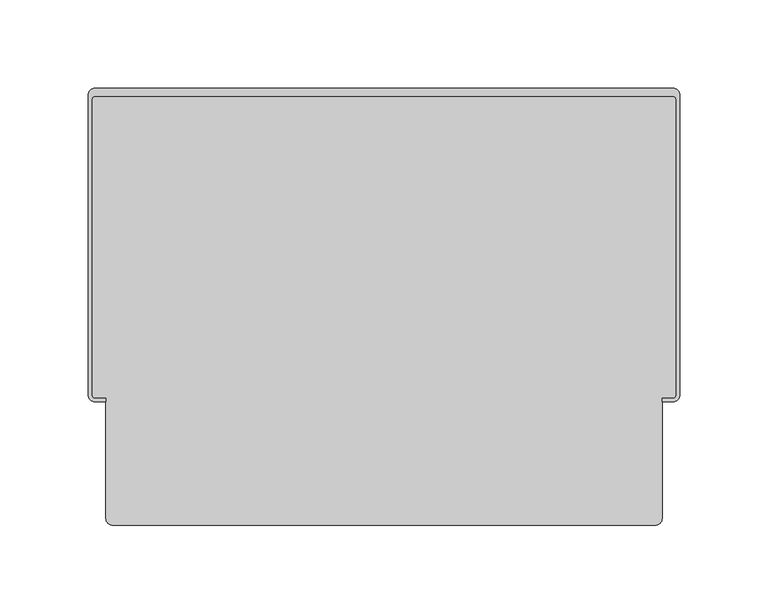
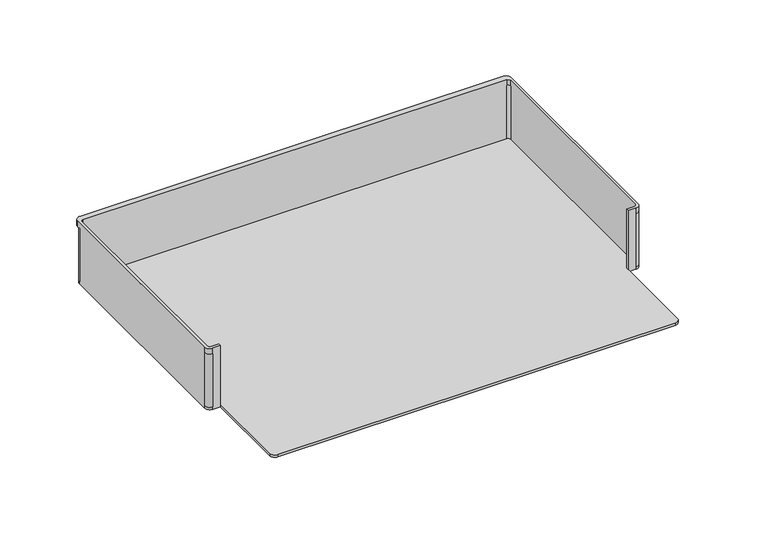
"""IFC4 building model written with IfcOpenShell, lengths in millimetres: furniture geometry."""

from ifc_helpers import new_model, si_unit, frame, origin, place, context, project, spatial, polyline, circle_curve, source, transform, mapped, element, save
from ifc_brep_helpers import plane_surface, cylinder_surface, revolved_surface, advanced_brep


def furniture_8eca9f2f(model_context):
    return source(origin(), model_context, "Body", "AdvancedBrep", [
        advanced_brep(
        [(163.55, 119.2041217, 943.284), (163.55, 119.2041217, 900.02), (165.5, 117.2541217, 900.02), (165.5, 117.2541217, 943.284), (165.5, -49.7958783, 900.02), (165.5, -49.7958783, 943.284), (165.5, -49.7958783, 948.02), (165.5, 117.2041217, 948.02), (163.5, -51.7958783, 900.02), (163.5, -51.7958783, 943.284), (157.5, -51.7958783, 900.02), (157.5, -51.7958783, 948.02), (163.5, -51.7958783, 948.02), (157.5, -53.7958783, 948.02), (157.5, -53.7958783, 900.02), (163.5, -53.7958783, 900.02), (163.5, -53.7958783, 943.284), (163.5, -53.7958783, 948.02), (157.5, -53.7958783, 898.02), (163.5, -53.7958783, 898.02), (167.5, -49.7958783, 900.02), (167.5, -49.7958783, 943.284), (167.5, -49.7958783, 898.02), (167.5, 117.2541217, 898.02), (167.5, 117.2541217, 900.02), (167.5, 117.2541217, 943.284), (167.5, 119.7958783, 943.284), (167.5, 119.7958783, 948.02), (167.5, -49.7958783, 948.02), (163.55, 121.2041217, 900.02), (163.55, 121.2041217, 943.284), (163.55, 121.2041217, 898.02), (-163.55, 121.2041217, 898.02), (-163.55, 121.2041217, 900.02), (-163.55, 121.2041217, 943.284), (-167.5, 117.2541217, 900.02), (-167.5, 117.2541217, 943.284), (-167.5, 117.2541217, 898.02), (-167.5, -49.7958783, 898.02), (-167.5, -49.7958783, 900.02), (-167.5, -49.7958783, 943.284), (-167.5, -49.7958783, 948.02), (-167.5, 119.7958783, 948.02), (-167.5, 119.7958783, 943.284), (-163.5, -53.7958783, 900.02), (-163.5, -53.7958783, 943.284), (-163.5, -53.7958783, 898.02), (-157.5, -53.7958783, 898.02), (-157.5, -53.7958783, 900.02), (-157.5, -53.7958783, 948.02), (-163.5, -53.7958783, 948.02), (-157.5, -51.7958783, 948.02), (-157.5, -51.7958783, 900.02), (-163.5, -51.7958783, 900.02), (-163.5, -51.7958783, 943.284), (-163.5, -51.7958783, 948.02), (-165.5, -49.7958783, 900.02), (-165.5, -49.7958783, 943.284), (-165.5, 117.2541217, 900.02), (-165.5, 117.2541217, 943.284), (-165.5, 117.2041217, 948.02), (-165.5, -49.7958783, 948.02), (-163.55, 119.2041217, 900.02), (-163.55, 119.2041217, 943.284), (163.5, 119.2041217, 948.02), (-163.5, 119.2041217, 948.02), (-163.5, 123.7958783, 948.02), (163.5, 123.7958783, 948.02), (163.5, 123.7958783, 943.284), (-163.5, 123.7958783, 943.284), (-163.5, 121.7958783, 943.284), (163.5, 121.7958783, 943.284), (163.5, 123.7958783, 939.2916323), (-163.5, 123.7958783, 939.2916323), (157.5, -119.7958783, 898.02), (153.5, -123.7958783, 898.02), (-153.5, -123.7958783, 898.02), (-157.5, -119.7958783, 898.02), (-157.5, -119.7958783, 900.02), (-153.5, -123.7958783, 900.02), (153.5, -123.7958783, 900.02), (157.5, -119.7958783, 900.02), (163.5, 121.7958783, 939.2916323), (-163.5, 121.7958783, 939.2916323)],
        [
            (0, 1),
            (1, 2, circle_curve(frame((163.55, 117.2541217, 900.02), z_axis=(0.0, 0.0, -1.0), x_axis=(1.0, 0.0, 0.0)), 1.95)),
            (2, 3),
            (3, 0, circle_curve(frame((163.55, 117.2541217, 943.284), z_axis=(0.0, 0.0, 1.0), x_axis=(1.0, 0.0, 0.0)), 1.95)),
            (2, 4),
            (4, 5),
            (5, 6),
            (6, 7),
            (7, 3),
            (4, 8, circle_curve(frame((163.5, -49.7958783, 900.02), z_axis=(0.0, 0.0, -1.0), x_axis=(1.0, 0.0, 0.0)), 2.0)),
            (8, 9),
            (9, 5, circle_curve(frame((163.5, -49.7958783, 943.284), z_axis=(0.0, 0.0, 1.0), x_axis=(1.0, 0.0, 0.0)), 2.0)),
            (8, 10),
            (10, 11),
            (11, 12),
            (12, 9),
            (13, 11),
            (10, 14),
            (14, 13),
            (15, 16),
            (16, 17),
            (17, 13),
            (14, 18),
            (18, 19),
            (19, 15),
            (15, 20, circle_curve(frame((163.5, -49.7958783, 900.02), z_axis=(0.0, 0.0, 1.0), x_axis=(1.0, 0.0, 0.0)), 4.0)),
            (20, 21),
            (21, 16, circle_curve(frame((163.5, -49.7958783, 943.284), z_axis=(0.0, 0.0, -1.0), x_axis=(1.0, 0.0, 0.0)), 4.0)),
            (20, 22),
            (22, 23),
            (23, 24),
            (24, 25),
            (25, 26),
            (26, 27),
            (27, 28),
            (28, 21),
            (24, 29, circle_curve(frame((163.55, 117.2541217, 900.02), z_axis=(0.0, 0.0, 1.0), x_axis=(1.0, 0.0, 0.0)), 3.95)),
            (29, 30),
            (30, 25, circle_curve(frame((163.55, 117.2541217, 943.284), z_axis=(0.0, 0.0, -1.0), x_axis=(1.0, 0.0, 0.0)), 3.95)),
            (29, 31),
            (31, 32),
            (32, 33),
            (33, 34),
            (34, 30),
            (33, 35, circle_curve(frame((-163.55, 117.2541217, 900.02), z_axis=(0.0, 0.0, 1.0), x_axis=(1.0, 0.0, 0.0)), 3.95)),
            (35, 36),
            (36, 34, circle_curve(frame((-163.55, 117.2541217, 943.284), z_axis=(0.0, 0.0, -1.0), x_axis=(1.0, 0.0, 0.0)), 3.95)),
            (35, 37),
            (37, 38),
            (38, 39),
            (39, 40),
            (40, 41),
            (41, 42),
            (42, 43),
            (43, 36),
            (39, 44, circle_curve(frame((-163.5, -49.7958783, 900.02), z_axis=(0.0, 0.0, 1.0), x_axis=(1.0, 0.0, 0.0)), 4.0)),
            (44, 45),
            (45, 40, circle_curve(frame((-163.5, -49.7958783, 943.284), z_axis=(0.0, 0.0, -1.0), x_axis=(1.0, 0.0, 0.0)), 4.0)),
            (44, 46),
            (46, 47),
            (47, 48),
            (48, 49),
            (49, 50),
            (50, 45),
            (51, 49),
            (48, 52),
            (52, 51),
            (53, 54),
            (54, 55),
            (55, 51),
            (52, 53),
            (53, 56, circle_curve(frame((-163.5, -49.7958783, 900.02), z_axis=(0.0, 0.0, -1.0), x_axis=(1.0, 0.0, 0.0)), 2.0)),
            (56, 57),
            (57, 54, circle_curve(frame((-163.5, -49.7958783, 943.284), z_axis=(0.0, 0.0, 1.0), x_axis=(1.0, 0.0, 0.0)), 2.0)),
            (56, 58),
            (58, 59),
            (59, 60),
            (60, 61),
            (61, 57),
            (58, 62, circle_curve(frame((-163.55, 117.2541217, 900.02), z_axis=(0.0, 0.0, -1.0), x_axis=(1.0, 0.0, 0.0)), 1.95)),
            (62, 63),
            (63, 59, circle_curve(frame((-163.55, 117.2541217, 943.284), z_axis=(0.0, 0.0, 1.0), x_axis=(1.0, 0.0, 0.0)), 1.95)),
            (0, 64),
            (64, 65),
            (65, 63),
            (62, 1),
            (66, 42, circle_curve(frame((-163.5, 119.7958783, 948.02), z_axis=(0.0, 0.0, 1.0), x_axis=(-0.7071067811865476, 0.7071067811865476, 0.0)), 4.0)),
            (41, 50, circle_curve(frame((-163.5, -49.7958783, 948.02), z_axis=(0.0, 0.0, 1.0), x_axis=(-0.7071067811865538, -0.7071067811865412, 0.0)), 4.0)),
            (55, 61, circle_curve(frame((-163.5, -49.7958783, 948.02), z_axis=(0.0, 0.0, -1.0), x_axis=(-0.7071067811865601, -0.707106781186535, 0.0)), 2.0)),
            (60, 65, circle_curve(frame((-163.5, 117.2041217, 948.02), z_axis=(0.0, 0.0, -1.0), x_axis=(-0.7071067811865727, 0.7071067811865225, 0.0)), 2.0)),
            (64, 7, circle_curve(frame((163.5, 117.2041217, 948.02), z_axis=(0.0, 0.0, -1.0), x_axis=(0.707106781186549, 0.707106781186546, 0.0)), 2.0)),
            (6, 12, circle_curve(frame((163.5, -49.7958783, 948.02), z_axis=(0.0, 0.0, -1.0), x_axis=(0.7071067811865476, -0.7071067811865476, 0.0)), 2.0)),
            (17, 28, circle_curve(frame((163.5, -49.7958783, 948.02), z_axis=(0.0, 0.0, 1.0), x_axis=(0.7071067811865523, -0.7071067811865429, 0.0)), 4.0)),
            (27, 67, circle_curve(frame((163.5, 119.7958783, 948.02), z_axis=(0.0, 0.0, 1.0), x_axis=(0.707106781186543, 0.7071067811865522, 0.0)), 4.0)),
            (67, 66),
            (68, 26, circle_curve(frame((163.5, 119.7958783, 943.284), z_axis=(0.0, 0.0, -1.0), x_axis=(0.707106781186543, 0.7071067811865522, 0.0)), 4.0)),
            (43, 69, circle_curve(frame((-163.5, 119.7958783, 943.284), z_axis=(0.0, 0.0, -1.0), x_axis=(-0.7071067811865476, 0.7071067811865476, 0.0)), 4.0)),
            (69, 70),
            (70, 71),
            (71, 68),
            (66, 69),
            (68, 67),
            (68, 72),
            (72, 73),
            (73, 69),
            (22, 19, circle_curve(frame((163.5, -49.7958783, 898.02), z_axis=(0.0, 0.0, -1.0), x_axis=(1.0, 0.0, 0.0)), 4.0)),
            (18, 74),
            (74, 75, circle_curve(frame((153.5, -119.7958783, 898.02), z_axis=(0.0, 0.0, -1.0), x_axis=(1.0, 0.0, 0.0)), 4.0)),
            (75, 76),
            (76, 77, circle_curve(frame((-153.5, -119.7958783, 898.02), z_axis=(0.0, 0.0, -1.0), x_axis=(0.0, -1.0, 0.0)), 4.0)),
            (77, 47),
            (46, 38, circle_curve(frame((-163.5, -49.7958783, 898.02), z_axis=(0.0, 0.0, -1.0), x_axis=(0.0, -1.0, 0.0)), 4.0)),
            (37, 32, circle_curve(frame((-163.55, 117.2541217, 898.02), z_axis=(0.0, 0.0, -1.0), x_axis=(1.0, 0.0, 0.0)), 3.95)),
            (31, 23, circle_curve(frame((163.55, 117.2541217, 898.02), z_axis=(0.0, 0.0, -1.0), x_axis=(1.0, 0.0, 0.0)), 3.95)),
            (48, 78),
            (78, 79, circle_curve(frame((-153.5, -119.7958783, 900.02), z_axis=(0.0, 0.0, 1.0), x_axis=(0.0, -1.0, 0.0)), 4.0)),
            (79, 80),
            (80, 81, circle_curve(frame((153.5, -119.7958783, 900.02), z_axis=(0.0, 0.0, 1.0), x_axis=(1.0, 0.0, 0.0)), 4.0)),
            (81, 14),
            (77, 78),
            (76, 79),
            (75, 80),
            (74, 81),
            (71, 82),
            (82, 72),
            (73, 83),
            (83, 70),
            (83, 82),
        ],
        [
            revolved_surface(polyline([(165.5, 117.2541217, 900.02), (165.5, 117.2541217, 943.284)]), (163.55, 117.2541217, 900.02), (0.0, 0.0, -1.0)),
            plane_surface(frame((165.5, 117.2541217, 943.284), z_axis=(-1.0, 0.0, 0.0), x_axis=(0.0, 0.0, -1.0))),
            revolved_surface(polyline([(165.5, -49.7958783, 900.02), (165.5, -49.7958783, 943.284)]), (163.5, -49.7958783, 900.02), (0.0, 0.0, -1.0)),
            plane_surface(frame((163.5, -51.7958783, 943.284), z_axis=(0.0, 1.0, 0.0), x_axis=(0.0, 0.0, -1.0))),
            plane_surface(frame((157.5, -51.7958783, 943.284), z_axis=(-1.0, 0.0, 0.0), x_axis=(0.0, 0.0, -1.0))),
            plane_surface(frame((157.5, -53.7958783, 943.284), z_axis=(0.0, -1.0, 0.0), x_axis=(0.0, 0.0, -1.0))),
            cylinder_surface(frame((163.5, -49.7958783, 900.02), z_axis=(0.0, 0.0, 1.0), x_axis=(1.0, 0.0, 0.0)), 4.0),
            plane_surface(frame((167.5, -49.7958783, 943.284), z_axis=(1.0, 0.0, 0.0), x_axis=(0.0, 0.0, -1.0))),
            cylinder_surface(frame((163.55, 117.2541217, 900.02), z_axis=(0.0, 0.0, 1.0), x_axis=(1.0, 0.0, 0.0)), 3.95),
            plane_surface(frame((163.55, 121.2041217, 943.284), z_axis=(0.0, 1.0, 0.0), x_axis=(0.0, 0.0, -1.0))),
            cylinder_surface(frame((-163.55, 117.2541217, 900.02), z_axis=(0.0, 0.0, 1.0), x_axis=(1.0, 0.0, 0.0)), 3.95),
            plane_surface(frame((-167.5, 117.2541217, 943.284), z_axis=(-1.0, 0.0, 0.0), x_axis=(0.0, 0.0, -1.0))),
            cylinder_surface(frame((-163.5, -49.7958783, 900.02), z_axis=(0.0, 0.0, 1.0), x_axis=(1.0, 0.0, 0.0)), 4.0),
            plane_surface(frame((-163.5, -53.7958783, 943.284), z_axis=(0.0, -1.0, 0.0), x_axis=(0.0, 0.0, -1.0))),
            plane_surface(frame((-157.5, -53.7958783, 943.284), z_axis=(1.0, 0.0, 0.0), x_axis=(0.0, 0.0, -1.0))),
            plane_surface(frame((-157.5, -51.7958783, 943.284), z_axis=(0.0, 1.0, 0.0), x_axis=(0.0, 0.0, -1.0))),
            revolved_surface(polyline([(-161.5, -49.7958783, 900.02), (-161.5, -49.7958783, 943.284)]), (-163.5, -49.7958783, 900.02), (0.0, 0.0, -1.0)),
            plane_surface(frame((-165.5, -49.7958783, 943.284), z_axis=(1.0, 0.0, 0.0), x_axis=(0.0, 0.0, -1.0))),
            revolved_surface(polyline([(-161.60000000000002, 117.2541217, 900.02), (-161.60000000000002, 117.2541217, 943.284)]), (-163.55, 117.2541217, 900.02), (0.0, 0.0, -1.0)),
            plane_surface(frame((-163.55, 119.2041217, 943.284), z_axis=(0.0, -1.0, 0.0), x_axis=(0.0, 0.0, -1.0))),
            plane_surface(frame((-166.3284271, 122.6243055, 948.02), z_axis=(0.0, 0.0, 1.0000000000000002), x_axis=(-0.7071067811865476, -0.7071067811865476, 0.0))),
            plane_surface(frame((-166.3284271, 122.6243055, 943.284), z_axis=(0.0, 0.0, -1.0000000000000002), x_axis=(0.7071067811865476, 0.7071067811865476, 0.0))),
            cylinder_surface(frame((-163.5, 119.7958783, 943.284), z_axis=(0.0, 0.0, 1.0000000000000002), x_axis=(-0.7071067811865476, 0.7071067811865476, 0.0)), 4.0),
            cylinder_surface(frame((-163.5, -49.7958783, 943.284), z_axis=(0.0, 0.0, 1.0), x_axis=(-0.7071067811865538, -0.7071067811865412, 0.0)), 4.0),
            revolved_surface(polyline([(-164.9142135623731, -51.21009186237307, 943.284), (-164.9142135623731, -51.21009186237307, 948.02)]), (-163.5, -49.7958783, 943.284), (0.0, 0.0, -1.0)),
            revolved_surface(polyline([(-164.91421356237313, 118.61833526237305, 943.284), (-164.91421356237313, 118.61833526237305, 948.02)]), (-163.5, 117.2041217, 943.284), (0.0, 0.0, -1.0)),
            revolved_surface(polyline([(164.9142135623731, 118.6183352623731, 943.284), (164.9142135623731, 118.6183352623731, 948.02)]), (163.5, 117.2041217, 943.284), (0.0, 0.0, -1.0)),
            revolved_surface(polyline([(164.9142135623731, -51.21009186237309, 943.284), (164.9142135623731, -51.21009186237309, 948.02)]), (163.5, -49.7958783, 943.284), (0.0, 0.0, -1.0000000000000002)),
            cylinder_surface(frame((163.5, -49.7958783, 943.284), z_axis=(0.0, 0.0, 1.0000000000000002), x_axis=(0.7071067811865523, -0.7071067811865429, 0.0)), 4.0),
            cylinder_surface(frame((163.5, 119.7958783, 943.284), z_axis=(0.0, 0.0, 1.0000000000000002), x_axis=(0.707106781186543, 0.7071067811865522, 0.0)), 4.0),
            plane_surface(frame((163.5, 123.7958783, 948.02), z_axis=(0.0, 1.0, 0.0), x_axis=(0.0, 0.0, -1.0))),
            plane_surface(frame((167.5, 119.7958783, 898.02), z_axis=(0.0, 0.0, -1.0), x_axis=(0.0, -1.0, 0.0))),
            plane_surface(frame((167.5, 119.7958783, 900.02), z_axis=(0.0, 0.0, 1.0), x_axis=(0.0, 1.0, 0.0))),
            cylinder_surface(frame((163.55, 117.2541217, 898.02), z_axis=(0.0, 0.0, 1.0), x_axis=(1.0, 0.0, 0.0)), 3.95),
            cylinder_surface(frame((-163.55, 117.2541217, 898.02), z_axis=(0.0, 0.0, 1.0), x_axis=(1.0, 0.0, 0.0)), 3.95),
            cylinder_surface(frame((-163.5, -49.7958783, 898.02), z_axis=(0.0, 0.0, 1.0), x_axis=(0.0, -1.0, 0.0)), 4.0),
            plane_surface(frame((-157.5, -53.7958783, 900.02), z_axis=(-1.0, 0.0, 0.0), x_axis=(0.0, 0.0, -1.0))),
            cylinder_surface(frame((-153.5, -119.7958783, 898.02), z_axis=(0.0, 0.0, 1.0), x_axis=(0.0, -1.0, 0.0)), 4.0),
            plane_surface(frame((-153.5, -123.7958783, 900.02), z_axis=(0.0, -1.0, 0.0), x_axis=(0.0, 0.0, -1.0))),
            cylinder_surface(frame((153.5, -119.7958783, 898.02), z_axis=(0.0, 0.0, 1.0), x_axis=(1.0, 0.0, 0.0)), 4.0),
            plane_surface(frame((157.5, -119.7958783, 900.02), z_axis=(1.0, 0.0, 0.0), x_axis=(0.0, 0.0, -1.0))),
            cylinder_surface(frame((163.5, -49.7958783, 898.02), z_axis=(0.0, 0.0, 1.0), x_axis=(1.0, 0.0, 0.0)), 4.0),
            plane_surface(frame((163.5, 123.7958783, 939.2916323), z_axis=(1.0, 0.0, 0.0), x_axis=(0.0, 0.0, 1.0))),
            plane_surface(frame((-163.5, 123.7958783, 939.2916323), z_axis=(-1.0, 0.0, 0.0), x_axis=(0.0, 0.0, -1.0))),
            plane_surface(frame((163.5, 121.7958783, 943.2916323), z_axis=(0.0, -1.0, 0.0), x_axis=(-1.0, 0.0, 0.0))),
            plane_surface(frame((163.5, 121.7958783, 939.2916323), z_axis=(0.0, 0.0, -1.0), x_axis=(-1.0, 0.0, 0.0))),
        ],
        [
            (0, [[1, 2, 3, 4]]),
            (1, [[-3, 5, 6, 7, 8, 9]]),
            (2, [[-6, 10, 11, 12]]),
            (3, [[-11, 13, 14, 15, 16]]),
            (4, [[17, -14, 18, 19]]),
            (5, [[20, 21, 22, -19, 23, 24, 25]]),
            (6, [[-20, 26, 27, 28]]),
            (7, [[-27, 29, 30, 31, 32, 33, 34, 35, 36]]),
            (8, [[-32, 37, 38, 39]]),
            (9, [[-38, 40, 41, 42, 43, 44]]),
            (10, [[-43, 45, 46, 47]]),
            (11, [[-46, 48, 49, 50, 51, 52, 53, 54, 55]]),
            (12, [[-51, 56, 57, 58]]),
            (13, [[-57, 59, 60, 61, 62, 63, 64]]),
            (14, [[65, -62, 66, 67]]),
            (15, [[68, 69, 70, -67, 71]]),
            (16, [[-68, 72, 73, 74]]),
            (17, [[-73, 75, 76, 77, 78, 79]]),
            (18, [[-76, 80, 81, 82]]),
            (19, [[-1, 83, 84, 85, -81, 86]]),
            (20, [[87, -53, 88, -63, -65, -70, 89, -78, 90, -84, 91, -8, 92, -15, -17, -22, 93, -35, 94, 95]]),
            (21, [[96, -33, -39, -44, -47, -55, 97, 98, 99, 100]]),
            (22, [[-87, 101, -97, -54]]),
            (23, [[-88, -52, -58, -64]]),
            (24, [[-89, -69, -74, -79]]),
            (25, [[-90, -77, -82, -85]]),
            (26, [[-91, -83, -4, -9]]),
            (27, [[-92, -7, -12, -16]]),
            (28, [[-93, -21, -28, -36]]),
            (29, [[-94, -34, -96, 102]]),
            (30, [[-95, -102, 103, 104, 105, -101]]),
            (31, [[106, -24, 107, 108, 109, 110, 111, -60, 112, -49, 113, -41, 114, -30]]),
            (32, [[115, 116, 117, 118, 119, -18, -13, -10, -5, -2, -86, -80, -75, -72, -71, -66]]),
            (33, [[-114, -40, -37, -31]]),
            (34, [[-113, -48, -45, -42]]),
            (35, [[-112, -59, -56, -50]]),
            (36, [[-111, 120, -115, -61]]),
            (37, [[-110, 121, -116, -120]]),
            (38, [[-109, 122, -117, -121]]),
            (39, [[-108, 123, -118, -122]]),
            (40, [[-107, -23, -119, -123]]),
            (41, [[-106, -29, -26, -25]]),
            (42, [[-103, -100, 124, 125]]),
            (43, [[126, 127, -98, -105]]),
            (44, [[-124, -99, -127, 128]]),
            (45, [[-125, -128, -126, -104]]),
        ],
    ),
    ])


if __name__ == "__main__":
    model = new_model("IFC4")
    model_context = context("Model", 3, world=origin())
    ifc_project = project(units=[si_unit("LENGTHUNIT", "METRE", prefix="MILLI")], contexts=[model_context])
    site = spatial("IfcSite", under=ifc_project)
    building = spatial("IfcBuilding", under=site)
    placement = place(None, origin())
    furniture_shape = furniture_8eca9f2f(model_context)
    element("IfcFurniture", 1, at=placement, inside=building, context=model_context, shape_type="MappedRepresentation", body=[
        mapped(furniture_shape, transform((0.0, 0.0, 0.0), x_axis=(1.0, 0.0, 0.0), y_axis=(0.0, 1.0, 0.0), z_axis=(0.0, 0.0, 1.0))),
    ])
    save(model, "model.ifc")
